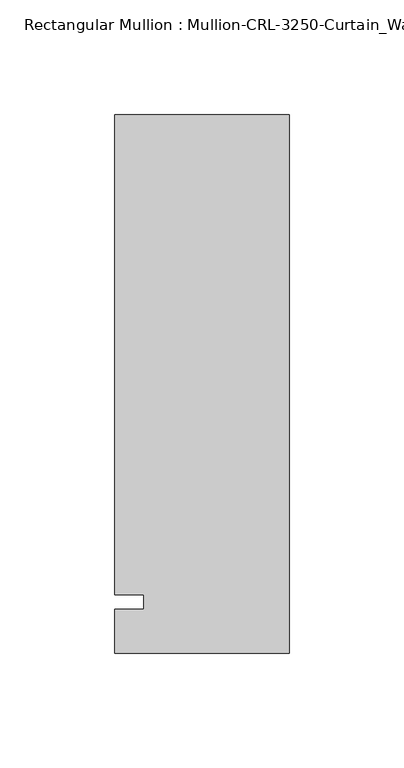
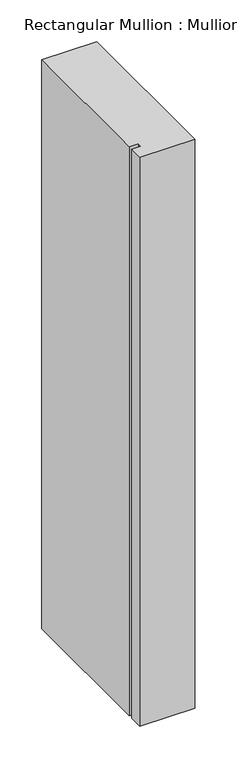
"""IFC4 building model written with IfcOpenShell, lengths in millimetres: member geometry."""

from ifc_helpers import new_model, si_unit, frame, origin, place, context, project, spatial, polyline, outline, extrude, source, transform, mapped, element, save


def member_47eff936(model_context):
    return source(origin(), model_context, "Body", "SweptSolid", [
        extrude(outline(polyline([(-76.199997, -3.175), (-63.499997, -3.175), (-63.499997, 3.175), (-76.199997, 3.175), (-76.199997, 212.725), (0.0, 212.725), (0.0, -22.2254168), (-76.199997, -22.2254168), (-76.199997, -3.175)])), frame((0.0, 0.0, -832.2166645), z_axis=(0.0, 0.0, 1.0), x_axis=(1.0, 0.0, 0.0)), (0.0, 0.0, 1.0), 832.2166645),
    ])


if __name__ == "__main__":
    model = new_model("IFC4")
    model_context = context("Model", 3, world=origin())
    ifc_project = project(units=[si_unit("LENGTHUNIT", "METRE", prefix="MILLI")], contexts=[model_context])
    site = spatial("IfcSite", under=ifc_project)
    building = spatial("IfcBuilding", under=site)
    placement = place(None, origin())
    member_shape = member_47eff936(model_context)
    element("IfcMember", 1, ObjectType="Rectangular Mullion : Mullion-CRL-3250-Curtain_Wall-Sill-8\"", at=placement, inside=building, context=model_context, shape_type="MappedRepresentation", body=[
        mapped(member_shape, transform((0.0, 0.0, 0.0), x_axis=(1.0, 0.0, 0.0), y_axis=(0.0, 1.0, 0.0), z_axis=(0.0, 0.0, 1.0))),
    ])
    save(model, "model.ifc")
